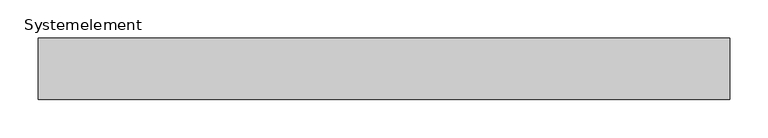
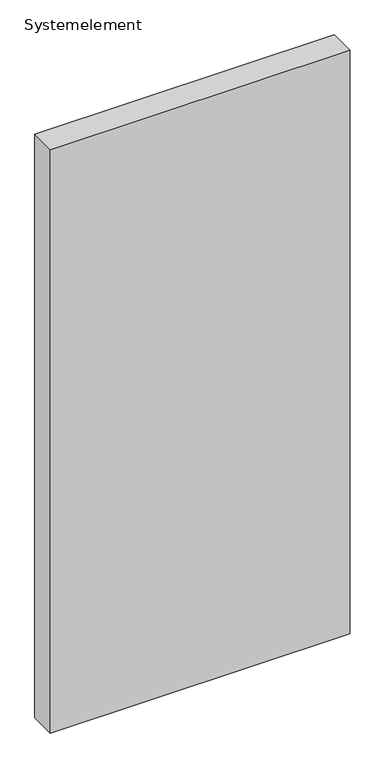
"""IFC4 building model written with IfcOpenShell, lengths in millimetres: plate geometry, Systemelement."""

from ifc_helpers import new_model, si_unit, origin, origin_with_axes, place, context, project, spatial, polyline, outline, extrude, source, transform, mapped, element, save


def systemelement_ffa350fe(model_context):
    return source(origin(), model_context, "Body", "SweptSolid", [
        extrude(outline(polyline([(450.0, -80.0), (-450.0, -80.0), (-450.0, 0.0), (450.0, 0.0), (450.0, -80.0)])), origin_with_axes(), (0.0, 0.0, 1.0), 1851.6147161),
    ])


if __name__ == "__main__":
    model = new_model("IFC4")
    model_context = context("Model", 3, world=origin())
    ifc_project = project(units=[si_unit("LENGTHUNIT", "METRE", prefix="MILLI")], contexts=[model_context])
    site = spatial("IfcSite", under=ifc_project)
    building = spatial("IfcBuilding", under=site)
    placement = place(None, origin())
    systemelement_shape = systemelement_ffa350fe(model_context)
    element("IfcPlate", 1, ObjectType="Systemelement", at=placement, inside=building, context=model_context, shape_type="MappedRepresentation", body=[
        mapped(systemelement_shape, transform((0.0, 0.0, 0.0), x_axis=(1.0, 0.0, 0.0), y_axis=(0.0, 1.0, 0.0), z_axis=(0.0, 0.0, 1.0))),
    ])
    save(model, "model.ifc")
